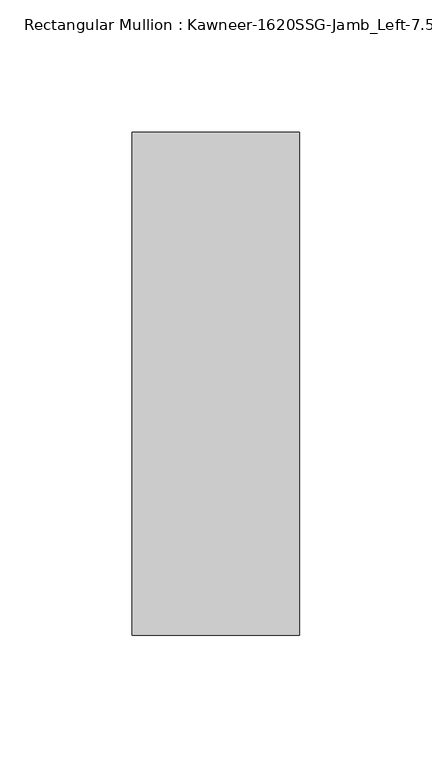
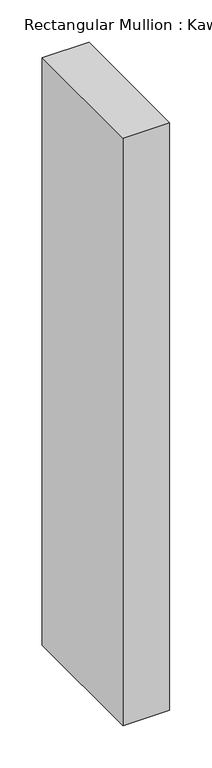
"""IFC4 building model written with IfcOpenShell, lengths in millimetres: member geometry."""

import ifcopenshell
import ifcopenshell.guid

model = None  # the IFC model being written
_history = None  # IfcOwnerHistory: only IFC2X3 demands one
_inside = {}  # id of a spatial element -> (the spatial element, [elements in it])
_under = {}  # id of a project, library or spatial element -> (it, [spatial elements below it])
_declared = {}  # id of a project -> (the project, [libraries it declares])
_typed = {}  # id of a type object -> (the type object, [elements of that type])
_made_of = {}  # id of a material, layer set ... -> (it, [elements and type objects made of it])


def new_model(schema):
    """Start an empty IFC model of exactly this schema.

    Asked for "IFC4X3", IfcOpenShell would pick the latest addendum, in which some entities
    have other attributes; the version numbers below select the first issue.
    IFC2X3 requires an IfcOwnerHistory on every rooted entity: one is made here for all.
    """
    global model, _history
    if schema == "IFC4X3":
        model = ifcopenshell.file(schema_version=(4, 3, 0, 0))
    else:
        model = ifcopenshell.file(schema=schema)
    _inside.clear()
    _under.clear()
    _declared.clear()
    _typed.clear()
    _made_of.clear()
    _history = None
    if model.schema == "IFC2X3":
        org = make("IfcOrganization", Name="unknown")
        user = make(
            "IfcPersonAndOrganization",
            ThePerson=make("IfcPerson", FamilyName="unknown"),
            TheOrganization=org,
        )
        app = make(
            "IfcApplication",
            ApplicationDeveloper=org,
            Version="unknown",
            ApplicationFullName="unknown",
            ApplicationIdentifier="unknown",
        )
        _history = make(
            "IfcOwnerHistory",
            OwningUser=user,
            OwningApplication=app,
            ChangeAction="ADDED",
            CreationDate=0,
        )
    return model


def make(cls, **values):
    """One entity of the class cls with the attributes given. An attribute that is None is left unset."""
    return model.create_entity(
        cls, **{name: value for name, value in values.items() if value is not None}
    )


def rooted(cls, **values):
    """An entity with a GlobalId (a new one), such as an element, a storey or a relation."""
    return make(cls, GlobalId=ifcopenshell.guid.new(), OwnerHistory=_history, **values)


def si_unit(unit_type, name, prefix=None):
    """IfcSIUnit, for example si_unit("LENGTHUNIT", "METRE", prefix="MILLI")."""
    return make("IfcSIUnit", UnitType=unit_type, Prefix=prefix, Name=name)


def assignment(units):
    """IfcUnitAssignment: the units of a project."""
    return None if units is None else make("IfcUnitAssignment", Units=units)


def point(xyz):
    """IfcCartesianPoint."""
    return None if xyz is None else make("IfcCartesianPoint", Coordinates=xyz)


def direction(xyz):
    """IfcDirection."""
    return None if xyz is None else make("IfcDirection", DirectionRatios=xyz)


def frame(location, z_axis=None, x_axis=None):
    """IfcAxis2Placement3D, a coordinate frame: its origin and axes. An axis left out is left unset."""
    return make(
        "IfcAxis2Placement3D",
        Location=point(location),
        Axis=direction(z_axis),
        RefDirection=direction(x_axis),
    )


def origin():
    """The frame at (0, 0, 0) with its axes left unset."""
    return frame((0.0, 0.0, 0.0))


def place(relative_to, where):
    """IfcLocalPlacement: puts the frame where relative to a parent placement (None: the world)."""
    return make(
        "IfcLocalPlacement", PlacementRelTo=relative_to, RelativePlacement=where
    )


def context(
    kind, dimensions, precision=None, world=None, true_north=None, identifier=None
):
    """IfcGeometricRepresentationContext, for example the 3D "Model" context."""
    return make(
        "IfcGeometricRepresentationContext",
        ContextIdentifier=identifier,
        ContextType=kind,
        CoordinateSpaceDimension=dimensions,
        Precision=precision,
        WorldCoordinateSystem=world,
        TrueNorth=true_north,
    )


def project(units=None, contexts=None):
    """IfcProject with its units and contexts."""
    return rooted(
        "IfcProject",
        Name="project",
        RepresentationContexts=contexts,
        UnitsInContext=assignment(units),
    )


def spatial(cls, under=None, at=None, **own):
    """A site, building, storey or space (cls), placed at a placement, below another one or the project."""
    s = rooted(cls, ObjectPlacement=at, **own)
    if under is not None:
        _under.setdefault(under.id(), (under, []))[1].append(s)
    return s


def polyline(points):
    """IfcPolyline through the points."""
    return make("IfcPolyline", Points=[point(p) for p in points])


def outline(outer, holes=None, kind="AREA"):
    """IfcArbitraryClosedProfileDef: a profile drawn as a closed curve; with holes, ...WithVoids."""
    if holes is None:
        return make("IfcArbitraryClosedProfileDef", ProfileType=kind, OuterCurve=outer)
    return make(
        "IfcArbitraryProfileDefWithVoids",
        ProfileType=kind,
        OuterCurve=outer,
        InnerCurves=holes,
    )


def extrude(swept, where, along, depth):
    """IfcExtrudedAreaSolid: the profile swept, set in the frame where, extruded along a direction by depth."""
    return make(
        "IfcExtrudedAreaSolid",
        SweptArea=swept,
        Position=where,
        ExtrudedDirection=direction(along),
        Depth=depth,
    )


def shape(context_of_items, identifier, shape_type, items):
    """IfcShapeRepresentation: the items that make up one representation, for example the "Body"."""
    return make(
        "IfcShapeRepresentation",
        ContextOfItems=context_of_items,
        RepresentationIdentifier=identifier,
        RepresentationType=shape_type,
        Items=items,
    )


def source(mapping_origin, context_of_items, identifier, shape_type, items):
    """IfcRepresentationMap: a shape defined once, which mapped items show again and again."""
    return make(
        "IfcRepresentationMap",
        MappingOrigin=mapping_origin,
        MappedRepresentation=shape(context_of_items, identifier, shape_type, items),
    )


def transform(
    local_origin,
    x_axis=None,
    y_axis=None,
    z_axis=None,
    scale=None,
    scale2=None,
    scale3=None,
    uniform=True,
):
    """IfcCartesianTransformationOperator3D, or its non-uniform kind. x_axis, y_axis, z_axis: its Axis1, 2, 3."""
    if uniform:
        return make(
            "IfcCartesianTransformationOperator3D",
            Axis1=direction(x_axis),
            Axis2=direction(y_axis),
            LocalOrigin=point(local_origin),
            Scale=scale,
            Axis3=direction(z_axis),
        )
    return make(
        "IfcCartesianTransformationOperator3DnonUniform",
        Axis1=direction(x_axis),
        Axis2=direction(y_axis),
        LocalOrigin=point(local_origin),
        Scale=scale,
        Axis3=direction(z_axis),
        Scale2=scale2,
        Scale3=scale3,
    )


def mapped(mapping_source, mapping_target):
    """IfcMappedItem: shows the shape of a source again, moved by a transform."""
    return make(
        "IfcMappedItem", MappingSource=mapping_source, MappingTarget=mapping_target
    )


def made_of(thing, what):
    """Note that an element or type object is made of a material, layer set ...; save() writes the relation."""
    if what is not None:
        _made_of.setdefault(what.id(), (what, []))[1].append(thing)
    return thing


def element(
    cls,
    number,
    at=None,
    inside=None,
    cuts=None,
    type_object=None,
    material=None,
    context=None,
    identifier="Body",
    shape_type=None,
    held_by="IfcProductDefinitionShape",
    body=None,
    shapes=None,
    **own,
):
    """One element of the class cls, such as IfcWall. Its Tag is "e" and its number.

    at: its placement. inside: the storey or other place that contains it. cuts: it is an
    opening in that element (IfcRelVoidsElement). A single representation is given by context,
    identifier, shape_type and body (its items); several are given by shapes. held_by: the class
    of the entity that holds the representations. save() writes the other relations.
    """
    e = rooted(cls, Tag="e%d" % number, ObjectPlacement=at, **own)
    if body is not None:
        shapes = [shape(context, identifier, shape_type, body)]
    if shapes is not None:
        e.Representation = make(held_by, Representations=shapes)
    if inside is not None:
        _inside.setdefault(inside.id(), (inside, []))[1].append(e)
    if cuts is not None:
        rooted(
            "IfcRelVoidsElement", RelatingBuildingElement=cuts, RelatedOpeningElement=e
        )
    if type_object is not None:
        _typed.setdefault(type_object.id(), (type_object, []))[1].append(e)
    return made_of(e, material)


def aggregate(whole, parts):
    """IfcRelAggregates: a whole, such as a stair, and the parts it consists of."""
    return rooted("IfcRelAggregates", RelatingObject=whole, RelatedObjects=parts)


def save(model, path):
    """Write the relations noted so far, then the file.

    IfcRelAggregates (storeys below a building ...), IfcRelContainedInSpatialStructure (elements
    in a storey), IfcRelDefinesByType, IfcRelAssociatesMaterial and IfcRelDeclares: one each for
    every whole, place, type object, material and project.
    """
    for whole, parts in _under.values():
        aggregate(whole, parts)
    for where, things in _inside.values():
        rooted(
            "IfcRelContainedInSpatialStructure",
            RelatedElements=things,
            RelatingStructure=where,
        )
    for kind, things in _typed.values():
        rooted("IfcRelDefinesByType", RelatedObjects=things, RelatingType=kind)
    for what, things in _made_of.values():
        rooted("IfcRelAssociatesMaterial", RelatedObjects=things, RelatingMaterial=what)
    for by, libraries in _declared.values():
        rooted("IfcRelDeclares", RelatingContext=by, RelatedDefinitions=libraries)
    model.write(path)


def member_714fa893(model_context):
    return source(origin(), model_context, "Body", "SweptSolid", [
        extrude(outline(polyline([(-63.5, 28.575), (0.0, 28.575), (0.0, -161.925), (-63.5, -161.925), (-63.5, 28.575)])), frame((0.0, 0.0, -844.55), z_axis=(0.0, 0.0, 1.0), x_axis=(1.0, 0.0, 0.0)), (0.0, 0.0, 1.0), 844.55),
    ])


if __name__ == "__main__":
    model = new_model("IFC4")
    model_context = context("Model", 3, world=origin())
    ifc_project = project(units=[si_unit("LENGTHUNIT", "METRE", prefix="MILLI")], contexts=[model_context])
    site = spatial("IfcSite", under=ifc_project)
    building = spatial("IfcBuilding", under=site)
    placement = place(None, origin())
    member_shape = member_714fa893(model_context)
    element("IfcMember", 1, ObjectType="Rectangular Mullion : Kawneer-1620SSG-Jamb_Left-7.5\"-1/4\"Infill", at=placement, inside=building, context=model_context, shape_type="MappedRepresentation", body=[
        mapped(member_shape, transform((0.0, 0.0, 0.0), x_axis=(1.0, 0.0, 0.0), y_axis=(0.0, 1.0, 0.0), z_axis=(0.0, 0.0, 1.0))),
    ])
    save(model, "model.ifc")
